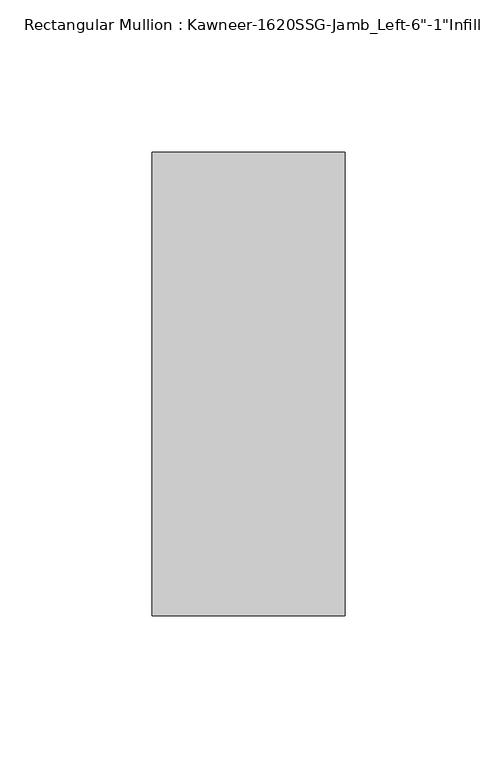
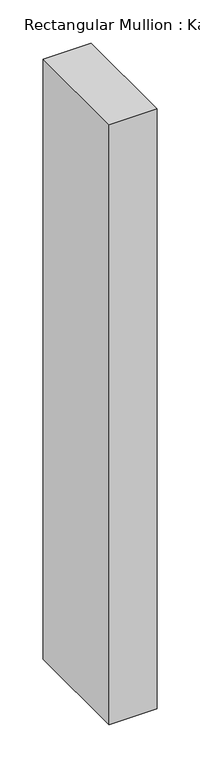
"""IFC4 building model written with IfcOpenShell, lengths in millimetres: member geometry."""

from ifc_helpers import new_model, si_unit, frame, origin, place, context, project, spatial, polyline, outline, extrude, source, transform, mapped, element, save


def member_f47caa6f(model_context):
    return source(origin(), model_context, "Body", "SweptSolid", [
        extrude(outline(polyline([(-63.5, 38.1), (0.0, 38.1), (0.0, -114.3), (-63.5, -114.3), (-63.5, 38.1)])), frame((0.0, 0.0, -844.55), z_axis=(0.0, 0.0, 1.0), x_axis=(1.0, 0.0, 0.0)), (0.0, 0.0, 1.0), 844.55),
    ])


if __name__ == "__main__":
    model = new_model("IFC4")
    model_context = context("Model", 3, world=origin())
    ifc_project = project(units=[si_unit("LENGTHUNIT", "METRE", prefix="MILLI")], contexts=[model_context])
    site = spatial("IfcSite", under=ifc_project)
    building = spatial("IfcBuilding", under=site)
    placement = place(None, origin())
    member_shape = member_f47caa6f(model_context)
    element("IfcMember", 1, ObjectType="Rectangular Mullion : Kawneer-1620SSG-Jamb_Left-6\"-1\"Infill", at=placement, inside=building, context=model_context, shape_type="MappedRepresentation", body=[
        mapped(member_shape, transform((0.0, 0.0, 0.0), x_axis=(1.0, 0.0, 0.0), y_axis=(0.0, 1.0, 0.0), z_axis=(0.0, 0.0, 1.0))),
    ])
    save(model, "model.ifc")
